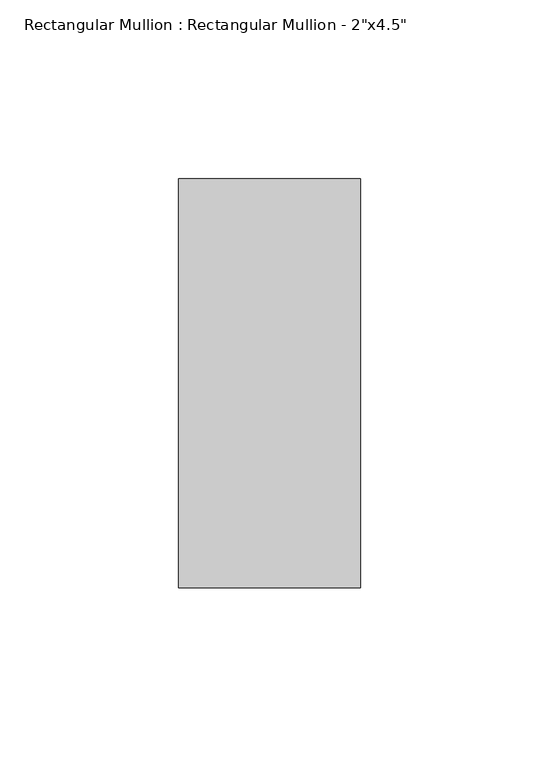
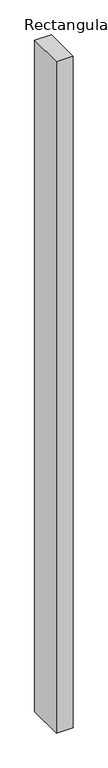
"""IFC4 building model written with IfcOpenShell, lengths in millimetres: member geometry."""

from ifc_helpers import new_model, si_unit, frame, origin, place, context, project, spatial, polyline, outline, extrude, source, transform, mapped, element, save


def member_3c80e7d9(model_context):
    return source(origin(), model_context, "Body", "SweptSolid", [
        extrude(outline(polyline([(25.4, 57.15), (25.4, -57.15), (-25.4, -57.15), (-25.4, 57.15), (25.4, 57.15)])), frame((0.0, 0.0, -2165.35), z_axis=(0.0, 0.0, 1.0), x_axis=(1.0, 0.0, 0.0)), (0.0, 0.0, 1.0), 2165.35),
    ])


if __name__ == "__main__":
    model = new_model("IFC4")
    model_context = context("Model", 3, world=origin())
    ifc_project = project(units=[si_unit("LENGTHUNIT", "METRE", prefix="MILLI")], contexts=[model_context])
    site = spatial("IfcSite", under=ifc_project)
    building = spatial("IfcBuilding", under=site)
    placement = place(None, origin())
    member_shape = member_3c80e7d9(model_context)
    element("IfcMember", 1, ObjectType="Rectangular Mullion : Rectangular Mullion - 2\"x4.5\"", at=placement, inside=building, context=model_context, shape_type="MappedRepresentation", body=[
        mapped(member_shape, transform((0.0, 0.0, 0.0), x_axis=(1.0, 0.0, 0.0), y_axis=(0.0, 1.0, 0.0), z_axis=(0.0, 0.0, 1.0))),
    ])
    save(model, "model.ifc")
